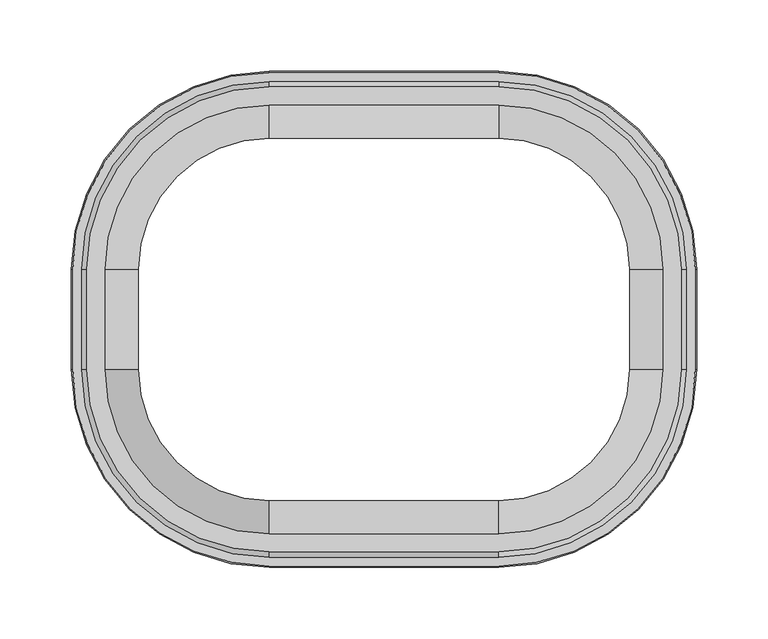
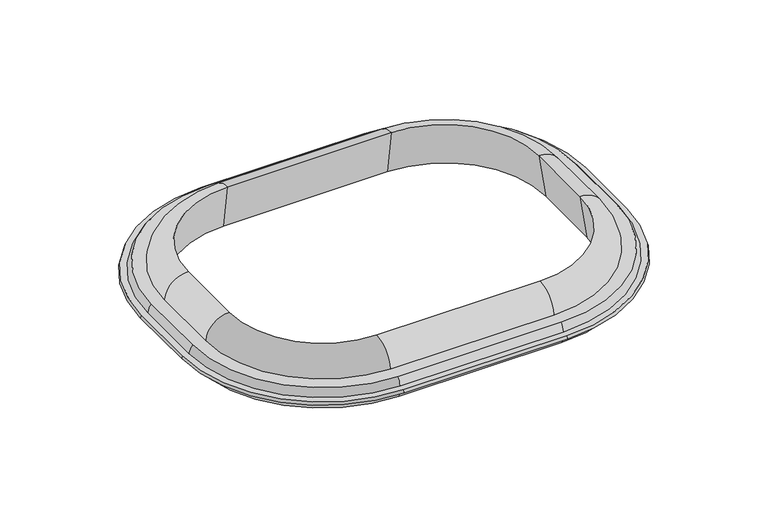
"""IFC4 building model written with IfcOpenShell, lengths in millimetres: furniture geometry."""

from ifc_helpers import new_model, si_unit, point, frame, origin, place, context, project, spatial, polyline, circle_curve, ellipse_curve, trimmed, source, transform, mapped, element, save
from ifc_brep_helpers import plane_surface, cylinder_surface, revolved_surface, advanced_brep


def furniture_12960239(model_context):
    return source(origin(), model_context, "Body", "AdvancedBrep", [
        advanced_brep(
        [(80.1154768, 126.7284262, 755.65), (-80.1154768, 126.7284262, 755.65), (-80.1154768, 133.3230614, 711.2250418), (80.1154768, 133.3230614, 711.2250418), (80.1154768, 149.9409798, 734.7493229), (-80.1154768, 149.9409798, 734.7493229), (-80.1154768, 127.3919978, 755.6597382), (-207.8314566, 34.925, 734.7493229), (-207.8314566, -34.925, 734.7493229), (-80.1154768, -162.6409798, 734.7493229), (80.1154768, -162.6409798, 734.7493229), (207.8314566, -34.925, 734.7493229), (207.8314566, 34.925, 734.7493229), (80.1154768, 162.6409798, 734.7493229), (-80.1154768, 162.6409798, 734.7493229), (195.1314566, 34.925, 734.7493229), (195.1314566, -34.925, 734.7493229), (80.1154768, -149.9409798, 734.7493229), (-80.1154768, -149.9409798, 734.7493229), (-195.1314566, -34.925, 734.7493229), (-195.1314566, 34.925, 734.7493229), (80.1154768, 166.2791169, 726.9473126), (-80.1154768, 166.2791169, 726.9473126), (-217.8195937, 34.925, 726.9473126), (-217.8195937, -34.925, 726.9473126), (-80.1154768, -172.6291169, 726.9473126), (80.1154768, -172.6291169, 726.9473126), (217.8195937, -34.925, 726.9473126), (217.8195937, 34.925, 726.9473126), (80.1154768, 172.6291169, 726.9473126), (-80.1154768, 172.6291169, 726.9473126), (211.4695937, 34.925, 726.9473126), (211.4695937, -34.925, 726.9473126), (80.1154768, -166.2791169, 726.9473126), (-80.1154768, -166.2791169, 726.9473126), (-211.4695937, -34.925, 726.9473126), (-211.4695937, 34.925, 726.9473126), (80.1154768, 173.4175169, 724.0049637), (-80.1154768, 173.4175169, 724.0049637), (218.6079938, 34.925, 724.0049637), (218.6079938, -34.925, 724.0049637), (80.1154768, -173.4175169, 724.0049637), (-80.1154768, -173.4175169, 724.0049637), (-218.6079938, -34.925, 724.0049637), (-218.6079938, 34.925, 724.0049637), (-212.2579938, 34.925, 724.0049637), (-212.2579938, -34.925, 724.0049637), (-80.1154768, -167.0675169, 724.0049637), (80.1154768, -167.0675169, 724.0049637), (212.2579938, -34.925, 724.0049637), (212.2579938, 34.925, 724.0049637), (80.1154768, 167.0675169, 724.0049637), (-80.1154768, 167.0675169, 724.0049637), (80.1154768, 163.4840689, 714.1595211), (-80.1154768, 163.4840689, 714.1595211), (171.9189031, 34.925, 755.65), (178.5135382, 34.925, 711.2250418), (208.6745457, 34.925, 714.1595211), (171.9189031, -34.925, 755.65), (178.5135382, -34.925, 711.2250418), (208.6745457, -34.925, 714.1595211), (80.1154768, -126.7284262, 755.65), (80.1154768, -133.3230614, 711.2250418), (80.1154768, -163.4840689, 714.1595211), (-80.1154768, -133.3230614, 711.2250418), (-80.1154768, -126.7284262, 755.65), (-80.1154768, -163.4840689, 714.1595211), (-171.9189031, 34.925, 755.65), (-178.5135382, 34.925, 711.2250418), (-208.6745457, 34.925, 714.1595211), (-178.5135382, -34.925, 711.2250418), (-171.9189031, -34.925, 755.65), (-208.6745457, -34.925, 714.1595211)],
        [
            (0, 1),
            (1, 2),
            (2, 3),
            (3, 0),
            (0, 4, circle_curve(frame((80.1154768, 127.3919978, 733.0465561), z_axis=(-1.0, 0.0, 0.0), x_axis=(0.0, 1.0000000000000002, 0.0)), 22.6131821)),
            (4, 5),
            (5, 6, circle_curve(frame((-80.1154768, 127.3919978, 733.0465561), z_axis=(1.0, 0.0, 0.0), x_axis=(0.0, 1.0000000000000002, 0.0)), 22.6131821)),
            (6, 1, circle_curve(frame((-80.1154768, 127.3919978, 733.0465561), z_axis=(1.0, 0.0, 0.0), x_axis=(0.0, 1.0000000000000002, 0.0)), 22.6131821)),
            (7, 8),
            (8, 9, circle_curve(frame((-80.1154768, -34.925, 734.7493229), z_axis=(0.0, 0.0, 1.0), x_axis=(-1.0000000000000002, 0.0, 0.0)), 127.7159798)),
            (9, 10),
            (10, 11, circle_curve(frame((80.1154768, -34.925, 734.7493229), z_axis=(0.0, 0.0, 1.0), x_axis=(1.0000000000000002, 0.0, 0.0)), 127.7159798)),
            (11, 12),
            (12, 13, circle_curve(frame((80.1154768, 34.925, 734.7493229), z_axis=(0.0, 0.0, 1.0), x_axis=(1.0000000000000002, 0.0, 0.0)), 127.7159798)),
            (13, 14),
            (14, 7, circle_curve(frame((-80.1154768, 34.925, 734.7493229), z_axis=(0.0, 0.0, 1.0), x_axis=(-1.0000000000000002, 0.0, 0.0)), 127.7159798)),
            (4, 15, circle_curve(frame((80.1154768, 34.925, 734.7493229), z_axis=(0.0, 0.0, -1.0), x_axis=(1.0000000000000002, 0.0, 0.0)), 115.0159798)),
            (15, 16),
            (16, 17, circle_curve(frame((80.1154768, -34.925, 734.7493229), z_axis=(0.0, 0.0, -1.0), x_axis=(1.0000000000000002, 0.0, 0.0)), 115.0159798)),
            (17, 18),
            (18, 19, circle_curve(frame((-80.1154768, -34.925, 734.7493229), z_axis=(0.0, 0.0, -1.0), x_axis=(-1.0000000000000002, 0.0, 0.0)), 115.0159798)),
            (19, 20),
            (20, 5, circle_curve(frame((-80.1154768, 34.925, 734.7493229), z_axis=(0.0, 0.0, -1.0), x_axis=(-1.0000000000000002, 0.0, 0.0)), 115.0159798)),
            (13, 21, circle_curve(frame((80.1154768, 153.8392427, 725.8957548), z_axis=(-1.0, 0.0, 0.0), x_axis=(0.0, 1.0000000000000002, 0.0)), 12.4842398)),
            (21, 22),
            (22, 14, circle_curve(frame((-80.1154768, 153.8392427, 725.8957548), z_axis=(1.0, 0.0, 0.0), x_axis=(0.0, 1.0000000000000002, 0.0)), 12.4842398)),
            (23, 24),
            (24, 25, circle_curve(frame((-80.1154768, -34.925, 726.9473126), z_axis=(0.0, 0.0, 1.0), x_axis=(-1.0000000000000002, 0.0, 0.0)), 137.7041169)),
            (25, 26),
            (26, 27, circle_curve(frame((80.1154768, -34.925, 726.9473126), z_axis=(0.0, 0.0, 1.0), x_axis=(1.0000000000000002, 0.0, 0.0)), 137.7041169)),
            (27, 28),
            (28, 29, circle_curve(frame((80.1154768, 34.925, 726.9473126), z_axis=(0.0, 0.0, 1.0), x_axis=(1.0000000000000002, 0.0, 0.0)), 137.7041169)),
            (29, 30),
            (30, 23, circle_curve(frame((-80.1154768, 34.925, 726.9473126), z_axis=(0.0, 0.0, 1.0), x_axis=(-1.0000000000000002, 0.0, 0.0)), 137.7041169)),
            (21, 31, circle_curve(frame((80.1154768, 34.925, 726.9473126), z_axis=(0.0, 0.0, -1.0), x_axis=(1.0000000000000002, 0.0, 0.0)), 131.3541169)),
            (31, 32),
            (32, 33, circle_curve(frame((80.1154768, -34.925, 726.9473126), z_axis=(0.0, 0.0, -1.0), x_axis=(1.0000000000000002, 0.0, 0.0)), 131.3541169)),
            (33, 34),
            (34, 35, circle_curve(frame((-80.1154768, -34.925, 726.9473126), z_axis=(0.0, 0.0, -1.0), x_axis=(-1.0000000000000002, 0.0, 0.0)), 131.3541169)),
            (35, 36),
            (36, 22, circle_curve(frame((-80.1154768, 34.925, 726.9473126), z_axis=(0.0, 0.0, -1.0), x_axis=(-1.0000000000000002, 0.0, 0.0)), 131.3541169)),
            (29, 37),
            (37, 38),
            (38, 30),
            (37, 39, circle_curve(frame((80.1154768, 34.925, 724.0049637), z_axis=(0.0, 0.0, -1.0), x_axis=(1.0000000000000002, 0.0, 0.0)), 138.4925169)),
            (39, 40),
            (40, 41, circle_curve(frame((80.1154768, -34.925, 724.0049637), z_axis=(0.0, 0.0, -1.0), x_axis=(1.0000000000000002, 0.0, 0.0)), 138.4925169)),
            (41, 42),
            (42, 43, circle_curve(frame((-80.1154768, -34.925, 724.0049637), z_axis=(0.0, 0.0, -1.0), x_axis=(-1.0000000000000002, 0.0, 0.0)), 138.4925169)),
            (43, 44),
            (44, 38, circle_curve(frame((-80.1154768, 34.925, 724.0049637), z_axis=(0.0, 0.0, -1.0), x_axis=(-1.0000000000000002, 0.0, 0.0)), 138.4925169)),
            (45, 46),
            (46, 47, circle_curve(frame((-80.1154768, -34.925, 724.0049637), z_axis=(0.0, 0.0, 1.0), x_axis=(-1.0000000000000002, 0.0, 0.0)), 132.1425169)),
            (47, 48),
            (48, 49, circle_curve(frame((80.1154768, -34.925, 724.0049637), z_axis=(0.0, 0.0, 1.0), x_axis=(1.0000000000000002, 0.0, 0.0)), 132.1425169)),
            (49, 50),
            (50, 51, circle_curve(frame((80.1154768, 34.925, 724.0049637), z_axis=(0.0, 0.0, 1.0), x_axis=(1.0000000000000002, 0.0, 0.0)), 132.1425169)),
            (51, 52),
            (52, 45, circle_curve(frame((-80.1154768, 34.925, 724.0049637), z_axis=(0.0, 0.0, 1.0), x_axis=(-1.0000000000000002, 0.0, 0.0)), 132.1425169)),
            (51, 53, circle_curve(frame((80.1154768, 148.476041, 725.196852), z_axis=(-1.0, 0.0, 0.0), x_axis=(0.0, 1.0000000000000002, 0.0)), 18.6296423)),
            (53, 54),
            (54, 52, circle_curve(frame((-80.1154768, 148.476041, 725.196852), z_axis=(1.0, 0.0, 0.0), x_axis=(0.0, 1.0000000000000002, 0.0)), 18.6296423)),
            (2, 54),
            (53, 3),
            (0, 55, circle_curve(frame((80.1154768, 34.925, 755.65), z_axis=(0.0, 0.0, -1.0), x_axis=(1.0000000000000002, 0.0, 0.0)), 91.8034262)),
            (55, 15, circle_curve(frame((172.5824746, 34.925, 733.0465561), z_axis=(0.0, 1.0000000000000002, 0.0), x_axis=(0.0, 0.0, 1.0)), 22.6131821)),
            (3, 56, circle_curve(frame((80.1154768, 34.925, 711.2250418), z_axis=(0.0, 0.0, -1.0), x_axis=(1.0000000000000002, 0.0, 0.0)), 98.3980614)),
            (56, 55),
            (53, 57, circle_curve(frame((80.1154768, 34.925, 714.1595211), z_axis=(0.0, 0.0, -1.0), x_axis=(1.0000000000000002, 0.0, 0.0)), 128.5590689)),
            (57, 56),
            (50, 57, circle_curve(frame((193.6665179, 34.925, 725.196852), z_axis=(0.0, 1.0000000000000002, 0.0), x_axis=(0.0, 0.0, 1.0)), 18.6296423)),
            (28, 39),
            (12, 31, circle_curve(frame((199.0297195, 34.925, 725.8957548), z_axis=(0.0, 1.0000000000000002, 0.0), x_axis=(0.0, 0.0, 1.0)), 12.4842398)),
            (58, 55),
            (56, 59),
            (59, 58),
            (57, 60),
            (60, 59),
            (49, 60, circle_curve(frame((193.6665179, -34.925, 725.196852), z_axis=(0.0, 1.0, 0.0), x_axis=(0.0, 0.0, 1.0)), 18.6296423)),
            (27, 40),
            (11, 32, circle_curve(frame((199.0297195, -34.925, 725.8957548), z_axis=(0.0, 1.0, 0.0), x_axis=(0.0, 0.0, 1.0)), 12.4842398)),
            (58, 16, circle_curve(frame((172.5824746, -34.925, 733.0465561), z_axis=(0.0, 1.0, 0.0), x_axis=(0.0, 0.0, 1.0)), 22.6131821)),
            (58, 61, circle_curve(frame((80.1154768, -34.925, 755.65), z_axis=(0.0, 0.0, -1.0), x_axis=(1.0000000000000002, 0.0, 0.0)), 91.8034262)),
            (61, 17, circle_curve(frame((80.1154768, -127.3919978, 733.0465561), z_axis=(1.0000000000000002, 0.0, 0.0), x_axis=(0.0, 0.0, 1.0)), 22.6131821)),
            (59, 62, circle_curve(frame((80.1154768, -34.925, 711.2250418), z_axis=(0.0, 0.0, -1.0), x_axis=(1.0000000000000002, 0.0, 0.0)), 98.3980614)),
            (62, 61),
            (60, 63, circle_curve(frame((80.1154768, -34.925, 714.1595211), z_axis=(0.0, 0.0, -1.0), x_axis=(1.0000000000000002, 0.0, 0.0)), 128.5590689)),
            (63, 62),
            (48, 63, circle_curve(frame((80.1154768, -148.476041, 725.196852), z_axis=(1.0000000000000002, 0.0, 0.0), x_axis=(0.0, 0.0, 1.0)), 18.6296423)),
            (26, 41),
            (10, 33, circle_curve(frame((80.1154768, -153.8392427, 725.8957548), z_axis=(1.0000000000000002, 0.0, 0.0), x_axis=(0.0, 0.0, 1.0)), 12.4842398)),
            (62, 64),
            (64, 65),
            (65, 61),
            (65, 18, circle_curve(frame((-80.1154768, -127.3919978, 733.0465561), z_axis=(1.0, 0.0, 0.0), x_axis=(0.0, -1.0000000000000002, 0.0)), 22.6131821)),
            (9, 34, circle_curve(frame((-80.1154768, -153.8392427, 725.8957548), z_axis=(1.0, 0.0, 0.0), x_axis=(0.0, -1.0000000000000002, 0.0)), 12.4842398)),
            (25, 42),
            (47, 66, circle_curve(frame((-80.1154768, -148.476041, 725.196852), z_axis=(1.0, 0.0, 0.0), x_axis=(0.0, -1.0000000000000002, 0.0)), 18.6296423)),
            (66, 63),
            (66, 64),
            (20, 67, circle_curve(frame((-172.5824746, 34.925, 733.0465561), z_axis=(0.0, 1.0000000000000002, 0.0), x_axis=(0.0, 0.0, 1.0)), 22.6131821)),
            (67, 1, circle_curve(frame((-80.1154768, 34.925, 755.65), z_axis=(0.0, 0.0, -1.0), x_axis=(-1.0000000000000002, 0.0, 0.0)), 91.8034262)),
            (67, 68),
            (68, 2, circle_curve(frame((-80.1154768, 34.925, 711.2250418), z_axis=(0.0, 0.0, -1.0), x_axis=(-1.0000000000000002, 0.0, 0.0)), 98.3980614)),
            (68, 69),
            (69, 54, circle_curve(frame((-80.1154768, 34.925, 714.1595211), z_axis=(0.0, 0.0, -1.0), x_axis=(-1.0000000000000002, 0.0, 0.0)), 128.5590689)),
            (69, 45, circle_curve(frame((-193.6665179, 34.925, 725.196852), z_axis=(0.0, 1.0000000000000002, 0.0), x_axis=(0.0, 0.0, 1.0)), 18.6296423)),
            (44, 23),
            (36, 7, circle_curve(frame((-199.0297195, 34.925, 725.8957548), z_axis=(0.0, 1.0000000000000002, 0.0), x_axis=(0.0, 0.0, 1.0)), 12.4842398)),
            (70, 68),
            (67, 71),
            (71, 70),
            (70, 72),
            (72, 69),
            (72, 46, circle_curve(frame((-193.6665179, -34.925, 725.196852), z_axis=(0.0, 1.0, 0.0), x_axis=(0.0, 0.0, 1.0)), 18.6296423)),
            (43, 24),
            (35, 8, circle_curve(frame((-199.0297195, -34.925, 725.8957548), z_axis=(0.0, 1.0, 0.0), x_axis=(0.0, 0.0, 1.0)), 12.4842398)),
            (19, 71, circle_curve(frame((-172.5824746, -34.925, 733.0465561), z_axis=(0.0, 1.0, 0.0), x_axis=(0.0, 0.0, 1.0)), 22.6131821)),
            (65, 71, circle_curve(frame((-80.1154768, -34.925, 755.65), z_axis=(0.0, 0.0, -1.0), x_axis=(-1.0000000000000002, 0.0, 0.0)), 91.8034262)),
            (64, 70, circle_curve(frame((-80.1154768, -34.925, 711.2250418), z_axis=(0.0, 0.0, -1.0), x_axis=(-1.0000000000000002, 0.0, 0.0)), 98.3980614)),
            (66, 72, circle_curve(frame((-80.1154768, -34.925, 714.1595211), z_axis=(0.0, 0.0, -1.0), x_axis=(-1.0000000000000002, 0.0, 0.0)), 128.5590689)),
        ],
        [
            plane_surface(frame((80.1154768, 126.7284262, 755.65), z_axis=(0.0, -0.9891609433288518, -0.1468353778650639), x_axis=(-1.0, 0.0, 0.0))),
            cylinder_surface(frame((-80.1154768, 127.3919978, 733.0465561), z_axis=(1.0000000000000002, 0.0, 0.0), x_axis=(0.0, 1.0000000000000002, 0.0)), 22.6131821),
            plane_surface(frame((80.1154768, 162.6409798, 734.7493229), z_axis=(0.0, 0.0, 1.0), x_axis=(-1.0, 0.0, 0.0))),
            cylinder_surface(frame((-80.1154768, 153.8392427, 725.8957548), z_axis=(1.0000000000000002, 0.0, 0.0), x_axis=(0.0, 1.0000000000000002, 0.0)), 12.4842398),
            plane_surface(frame((80.1154768, 172.6291169, 726.9473126), z_axis=(0.0, 0.0, 1.0), x_axis=(-1.0, 0.0, 0.0))),
            plane_surface(frame((80.1154768, 173.4175169, 724.0049637), z_axis=(0.0, 0.9659258262890752, 0.2588190451024952), x_axis=(-1.0, 0.0, 0.0))),
            plane_surface(frame((80.1154768, 167.0675169, 724.0049637), z_axis=(0.0, 0.0, -1.0), x_axis=(-1.0, 0.0, 0.0))),
            cylinder_surface(frame((-80.1154768, 148.476041, 725.196852), z_axis=(1.0000000000000002, 0.0, 0.0), x_axis=(0.0, 1.0000000000000002, 0.0)), 18.6296423),
            plane_surface(frame((80.1154768, 133.3230614, 711.2250418), z_axis=(0.0, 0.09683655773188508, -0.9953002969388883), x_axis=(-1.0, 0.0, 0.0))),
            revolved_surface(trimmed(ellipse_curve(frame((172.5824746, 34.925, 733.0465561), z_axis=(0.0, -1.0000000000000002, 0.0), x_axis=(0.0, 0.0, 1.0)), 22.6131821, 22.6131821), [point((195.1314566, 34.925, 734.7493229))], [point((171.9189031, 34.925, 755.65))], True, "CARTESIAN"), (80.1154768, 34.925, 847.2074778), (0.0, 0.0, 1.0)),
            revolved_surface(polyline([(171.9189031, 34.925, 755.65), (178.5135382, 34.925, 711.2250418)]), (80.1154768, 34.925, 847.2074778), (0.0, 0.0, 1.0)),
            revolved_surface(polyline([(178.5135382, 34.925, 711.2250418), (208.6745457, 34.925, 714.1595211)]), (80.1154768, 34.925, 847.2074778), (0.0, 0.0, 1.0)),
            revolved_surface(trimmed(ellipse_curve(frame((193.6665179, 34.925, 725.196852), z_axis=(0.0, -1.0000000000000002, 0.0), x_axis=(0.0, 0.0, 1.0)), 18.6296423, 18.6296423), [point((208.6745457, 34.925, 714.1595211))], [point((212.2579938, 34.925, 724.0049637))], True, "CARTESIAN"), (80.1154768, 34.925, 847.2074778), (0.0, 0.0, 1.0)),
            revolved_surface(polyline([(218.6079938, 34.925, 724.0049637), (217.8195937, 34.925, 726.9473126)]), (80.1154768, 34.925, 847.2074778), (0.0, 0.0, 1.0)),
            revolved_surface(trimmed(ellipse_curve(frame((199.0297195, 34.925, 725.8957548), z_axis=(0.0, -1.0000000000000002, 0.0), x_axis=(0.0, 0.0, 1.0)), 12.4842398, 12.4842398), [point((211.4695937, 34.925, 726.9473126))], [point((207.8314566, 34.925, 734.7493229))], True, "CARTESIAN"), (80.1154768, 34.925, 847.2074778), (0.0, 0.0, 1.0)),
            plane_surface(frame((171.9189031, -34.925, 755.65), z_axis=(-0.9891609433288493, 0.0, -0.14683537786508108), x_axis=(0.0, 1.0, 0.0))),
            plane_surface(frame((178.5135382, -34.925, 711.2250418), z_axis=(0.09683655773190229, 0.0, -0.9953002969388867), x_axis=(0.0, 1.0, 0.0))),
            cylinder_surface(frame((193.6665179, 34.925, 725.196852), z_axis=(0.0, -1.0000000000000002, 0.0), x_axis=(0.0, 0.0, 1.0)), 18.6296423),
            plane_surface(frame((218.6079938, -34.925, 724.0049637), z_axis=(0.9659258262890694, 0.0, 0.2588190451025166), x_axis=(0.0, 1.0, 0.0))),
            cylinder_surface(frame((199.0297195, 34.925, 725.8957548), z_axis=(0.0, -1.0000000000000002, 0.0), x_axis=(0.0, 0.0, 1.0)), 12.4842398),
            cylinder_surface(frame((172.5824746, 34.925, 733.0465561), z_axis=(0.0, -1.0000000000000002, 0.0), x_axis=(0.0, 0.0, 1.0)), 22.6131821),
            revolved_surface(trimmed(ellipse_curve(frame((172.5824746, -34.925, 733.0465561), z_axis=(0.0, 1.0000000000000002, 0.0), x_axis=(0.0, 0.0, 1.0)), 22.6131821, 22.6131821), [point((171.9189031, -34.925, 755.65))], [point((195.1314566, -34.925, 734.7493229))], True, "CARTESIAN"), (80.1154768, -34.925, 847.2074778), (0.0, 0.0, -1.0)),
            revolved_surface(polyline([(178.5135382, -34.925, 711.2250418), (171.9189031, -34.925, 755.65)]), (80.1154768, -34.925, 847.2074778), (0.0, 0.0, -1.0)),
            revolved_surface(polyline([(208.6745457, -34.925, 714.1595211), (178.5135382, -34.925, 711.2250418)]), (80.1154768, -34.925, 847.2074778), (0.0, 0.0, -1.0)),
            revolved_surface(trimmed(ellipse_curve(frame((193.6665179, -34.925, 725.196852), z_axis=(0.0, 1.0000000000000002, 0.0), x_axis=(0.0, 0.0, 1.0)), 18.6296423, 18.6296423), [point((212.2579938, -34.925, 724.0049637))], [point((208.6745457, -34.925, 714.1595211))], True, "CARTESIAN"), (80.1154768, -34.925, 847.2074778), (0.0, 0.0, -1.0)),
            revolved_surface(polyline([(217.8195937, -34.925, 726.9473126), (218.6079938, -34.925, 724.0049637)]), (80.1154768, -34.925, 847.2074778), (0.0, 0.0, -1.0)),
            revolved_surface(trimmed(ellipse_curve(frame((199.0297195, -34.925, 725.8957548), z_axis=(0.0, 1.0000000000000002, 0.0), x_axis=(0.0, 0.0, 1.0)), 12.4842398, 12.4842398), [point((207.8314566, -34.925, 734.7493229))], [point((211.4695937, -34.925, 726.9473126))], True, "CARTESIAN"), (80.1154768, -34.925, 847.2074778), (0.0, 0.0, -1.0)),
            plane_surface(frame((80.1154768, -133.3230614, 711.2250418), z_axis=(0.0, 0.9891609433288518, -0.14683537786506393), x_axis=(-1.0, 0.0, 0.0))),
            cylinder_surface(frame((-80.1154768, -127.3919978, 733.0465561), z_axis=(1.0000000000000002, 0.0, 0.0), x_axis=(0.0, -1.0000000000000002, 0.0)), 22.6131821),
            cylinder_surface(frame((-80.1154768, -153.8392427, 725.8957548), z_axis=(1.0000000000000002, 0.0, 0.0), x_axis=(0.0, -1.0000000000000002, 0.0)), 12.4842398),
            plane_surface(frame((80.1154768, -172.6291169, 726.9473126), z_axis=(0.0, -0.9659258262890752, 0.2588190451024952), x_axis=(-1.0, 0.0, 0.0))),
            cylinder_surface(frame((-80.1154768, -148.476041, 725.196852), z_axis=(1.0000000000000002, 0.0, 0.0), x_axis=(0.0, -1.0000000000000002, 0.0)), 18.6296423),
            plane_surface(frame((80.1154768, -163.4840689, 714.1595211), z_axis=(0.0, -0.0968365577318848, -0.9953002969388883), x_axis=(-1.0, 0.0, 0.0))),
            revolved_surface(trimmed(ellipse_curve(frame((-172.5824746, 34.925, 733.0465561), z_axis=(0.0, -1.0000000000000002, 0.0), x_axis=(0.0, 0.0, 1.0)), 22.6131821, 22.6131821), [point((-171.9189031, 34.925, 755.65))], [point((-195.1314566, 34.925, 734.7493229))], True, "CARTESIAN"), (-80.1154768, 34.925, 847.2074778), (0.0, 0.0, -1.0)),
            revolved_surface(polyline([(-178.5135382, 34.925, 711.2250418), (-171.9189031, 34.925, 755.65)]), (-80.1154768, 34.925, 847.2074778), (0.0, 0.0, -1.0)),
            revolved_surface(polyline([(-208.6745457, 34.925, 714.1595211), (-178.5135382, 34.925, 711.2250418)]), (-80.1154768, 34.925, 847.2074778), (0.0, 0.0, -1.0)),
            revolved_surface(trimmed(ellipse_curve(frame((-193.6665179, 34.925, 725.196852), z_axis=(0.0, -1.0000000000000002, 0.0), x_axis=(0.0, 0.0, 1.0)), 18.6296423, 18.6296423), [point((-212.2579938, 34.925, 724.0049637))], [point((-208.6745457, 34.925, 714.1595211))], True, "CARTESIAN"), (-80.1154768, 34.925, 847.2074778), (0.0, 0.0, -1.0)),
            revolved_surface(polyline([(-217.8195937, 34.925, 726.9473126), (-218.6079938, 34.925, 724.0049637)]), (-80.1154768, 34.925, 847.2074778), (0.0, 0.0, -1.0)),
            revolved_surface(trimmed(ellipse_curve(frame((-199.0297195, 34.925, 725.8957548), z_axis=(0.0, -1.0000000000000002, 0.0), x_axis=(0.0, 0.0, 1.0)), 12.4842398, 12.4842398), [point((-207.8314566, 34.925, 734.7493229))], [point((-211.4695937, 34.925, 726.9473126))], True, "CARTESIAN"), (-80.1154768, 34.925, 847.2074778), (0.0, 0.0, -1.0)),
            plane_surface(frame((-178.5135382, -34.925, 711.2250418), z_axis=(0.9891609433288493, 0.0, -0.14683537786508108), x_axis=(0.0, 1.0, 0.0))),
            plane_surface(frame((-208.6745457, -34.925, 714.1595211), z_axis=(-0.09683655773190229, 0.0, -0.9953002969388867), x_axis=(0.0, 1.0, 0.0))),
            cylinder_surface(frame((-193.6665179, 34.925, 725.196852), z_axis=(0.0, -1.0000000000000002, 0.0), x_axis=(0.0, 0.0, 1.0)), 18.6296423),
            plane_surface(frame((-217.8195937, -34.925, 726.9473126), z_axis=(-0.9659258262890694, 0.0, 0.2588190451025166), x_axis=(0.0, 1.0, 0.0))),
            cylinder_surface(frame((-199.0297195, 34.925, 725.8957548), z_axis=(0.0, -1.0000000000000002, 0.0), x_axis=(0.0, 0.0, 1.0)), 12.4842398),
            cylinder_surface(frame((-172.5824746, 34.925, 733.0465561), z_axis=(0.0, -1.0000000000000002, 0.0), x_axis=(0.0, 0.0, 1.0)), 22.6131821),
            revolved_surface(trimmed(ellipse_curve(frame((-172.5824746, -34.925, 733.0465561), z_axis=(0.0, 1.0000000000000002, 0.0), x_axis=(0.0, 0.0, 1.0)), 22.6131821, 22.6131821), [point((-195.1314566, -34.925, 734.7493229))], [point((-171.9189031, -34.925, 755.65))], True, "CARTESIAN"), (-80.1154768, -34.925, 847.2074778), (0.0, 0.0, 1.0)),
            revolved_surface(polyline([(-171.9189031, -34.925, 755.65), (-178.5135382, -34.925, 711.2250418)]), (-80.1154768, -34.925, 847.2074778), (0.0, 0.0, 1.0)),
            revolved_surface(polyline([(-178.5135382, -34.925, 711.2250418), (-208.6745457, -34.925, 714.1595211)]), (-80.1154768, -34.925, 847.2074778), (0.0, 0.0, 1.0)),
            revolved_surface(trimmed(ellipse_curve(frame((-193.6665179, -34.925, 725.196852), z_axis=(0.0, 1.0000000000000002, 0.0), x_axis=(0.0, 0.0, 1.0)), 18.6296423, 18.6296423), [point((-208.6745457, -34.925, 714.1595211))], [point((-212.2579938, -34.925, 724.0049637))], True, "CARTESIAN"), (-80.1154768, -34.925, 847.2074778), (0.0, 0.0, 1.0)),
            revolved_surface(polyline([(-218.6079938, -34.925, 724.0049637), (-217.8195937, -34.925, 726.9473126)]), (-80.1154768, -34.925, 847.2074778), (0.0, 0.0, 1.0)),
            revolved_surface(trimmed(ellipse_curve(frame((-199.0297195, -34.925, 725.8957548), z_axis=(0.0, 1.0000000000000002, 0.0), x_axis=(0.0, 0.0, 1.0)), 12.4842398, 12.4842398), [point((-211.4695937, -34.925, 726.9473126))], [point((-207.8314566, -34.925, 734.7493229))], True, "CARTESIAN"), (-80.1154768, -34.925, 847.2074778), (0.0, 0.0, 1.0)),
        ],
        [
            (0, [[1, 2, 3, 4]]),
            (1, [[-1, 5, 6, 7, 8]]),
            (2, [[9, 10, 11, 12, 13, 14, 15, 16], [-6, 17, 18, 19, 20, 21, 22, 23]]),
            (3, [[-15, 24, 25, 26]]),
            (4, [[27, 28, 29, 30, 31, 32, 33, 34], [-25, 35, 36, 37, 38, 39, 40, 41]]),
            (5, [[-33, 42, 43, 44]]),
            (6, [[-43, 45, 46, 47, 48, 49, 50, 51], [52, 53, 54, 55, 56, 57, 58, 59]]),
            (7, [[-58, 60, 61, 62]]),
            (8, [[-3, 63, -61, 64]]),
            (9, [[65, 66, -17, -5]]),
            (10, [[-65, -4, 67, 68]]),
            (11, [[-67, -64, 69, 70]]),
            (12, [[-69, -60, -57, 71]]),
            (13, [[-45, -42, -32, 72]]),
            (14, [[-35, -24, -14, 73]]),
            (15, [[74, -68, 75, 76]]),
            (16, [[-75, -70, 77, 78]]),
            (17, [[-77, -71, -56, 79]]),
            (18, [[-46, -72, -31, 80]]),
            (19, [[-36, -73, -13, 81]]),
            (20, [[-74, 82, -18, -66]]),
            (21, [[-19, -82, 83, 84]]),
            (22, [[-83, -76, 85, 86]]),
            (23, [[-85, -78, 87, 88]]),
            (24, [[-87, -79, -55, 89]]),
            (25, [[-47, -80, -30, 90]]),
            (26, [[-37, -81, -12, 91]]),
            (27, [[92, 93, 94, -86]]),
            (28, [[-94, 95, -20, -84]]),
            (29, [[-11, 96, -38, -91]]),
            (30, [[-29, 97, -48, -90]]),
            (31, [[-54, 98, 99, -89]]),
            (32, [[-92, -88, -99, 100]]),
            (33, [[-23, 101, 102, -8, -7]]),
            (34, [[-102, 103, 104, -2]]),
            (35, [[-104, 105, 106, -63]]),
            (36, [[-106, 107, -59, -62]]),
            (37, [[-51, 108, -34, -44]]),
            (38, [[-41, 109, -16, -26]]),
            (39, [[110, -103, 111, 112]]),
            (40, [[-110, 113, 114, -105]]),
            (41, [[-114, 115, -52, -107]]),
            (42, [[-50, 116, -27, -108]]),
            (43, [[-40, 117, -9, -109]]),
            (44, [[-111, -101, -22, 118]]),
            (45, [[119, -118, -21, -95]]),
            (46, [[-119, -93, 120, -112]]),
            (47, [[-120, -100, 121, -113]]),
            (48, [[-121, -98, -53, -115]]),
            (49, [[-49, -97, -28, -116]]),
            (50, [[-39, -96, -10, -117]]),
        ],
    ),
    ])


if __name__ == "__main__":
    model = new_model("IFC4")
    model_context = context("Model", 3, world=origin())
    ifc_project = project(units=[si_unit("LENGTHUNIT", "METRE", prefix="MILLI")], contexts=[model_context])
    site = spatial("IfcSite", under=ifc_project)
    building = spatial("IfcBuilding", under=site)
    placement = place(None, origin())
    furniture_shape = furniture_12960239(model_context)
    element("IfcFurniture", 1, at=placement, inside=building, context=model_context, shape_type="MappedRepresentation", body=[
        mapped(furniture_shape, transform((0.0, 0.0, 0.0), x_axis=(1.0, 0.0, 0.0), y_axis=(0.0, 1.0, 0.0), z_axis=(0.0, 0.0, 1.0))),
    ])
    save(model, "model.ifc")
